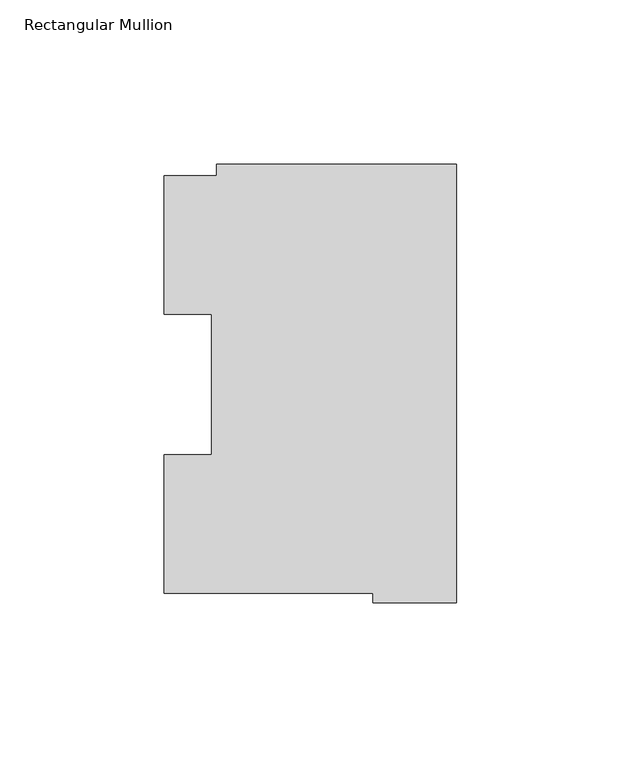
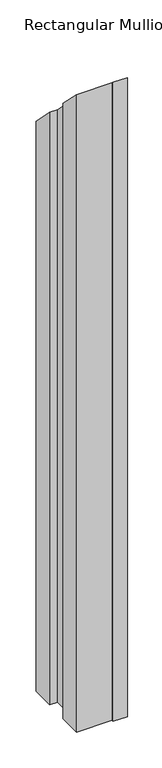
"""IFC4 building model written with IfcOpenShell, lengths in millimetres: member geometry, Rectangular Mullion."""

from ifc_helpers import new_model, si_unit, origin, place, context, project, spatial, faceted_brep, source, transform, mapped, element, save


def rectangular_mullion_f15801ac(model_context):
    return source(origin(), model_context, "Body", "Brep", [
        faceted_brep([(-73.025, 130.1270275, -1206.2086938), (0.0, 130.1270275, -1206.2086938), (0.0, -3.2371943, -1206.2086938), (-25.3823253, -3.2371943, -1206.2086938), (-25.3823253, -0.2913097, -1206.2086938), (-88.8823253, -0.2913097, -1206.2086938), (-88.8823253, 41.7837928, -1206.2086938), (-74.4735473, 41.7837928, -1206.2086938), (-74.4735473, 84.6335938, -1206.2086938), (-88.8823253, 84.6335938, -1206.2086938), (-88.8823253, 126.7086938, -1206.2086938), (-73.025, 126.7086938, -1206.2086938), (-73.025, 126.7086938, -126.7086938), (-73.025, 130.1270275, -130.1270275), (-88.8823253, 126.7086938, -126.7086938), (-88.8823253, 84.6335938, -84.6335937), (-74.4735473, 84.6335938, -84.6335937), (-74.4735473, 41.7837928, -41.7837928), (-88.8823253, 41.7837928, -41.7837928), (-88.8823253, -0.2913097, 0.2913097), (-25.3823253, -0.2913097, 0.2913097), (-25.3823253, -3.2371943, 3.2371943), (0.0, -3.2371943, 3.2371943), (0.0, 130.1270275, -130.1270275)], [[[0, 1, 2, 3, 4, 5, 6, 7, 8, 9, 10, 11]], [[12, 13, 0, 11]], [[14, 12, 11, 10]], [[15, 14, 10, 9]], [[16, 15, 9, 8]], [[17, 16, 8, 7]], [[18, 17, 7, 6]], [[19, 18, 6, 5]], [[20, 19, 5, 4]], [[21, 20, 4, 3]], [[22, 21, 3, 2]], [[23, 22, 2, 1]], [[13, 23, 1, 0]], [[13, 12, 14, 15, 16, 17, 18, 19, 20, 21, 22, 23]]]),
    ])


if __name__ == "__main__":
    model = new_model("IFC4")
    model_context = context("Model", 3, world=origin())
    ifc_project = project(units=[si_unit("LENGTHUNIT", "METRE", prefix="MILLI")], contexts=[model_context])
    site = spatial("IfcSite", under=ifc_project)
    building = spatial("IfcBuilding", under=site)
    placement = place(None, origin())
    rectangular_mullion_shape = rectangular_mullion_f15801ac(model_context)
    element("IfcMember", 1, ObjectType="Rectangular Mullion", at=placement, inside=building, context=model_context, shape_type="MappedRepresentation", body=[
        mapped(rectangular_mullion_shape, transform((0.0, 0.0, 0.0), x_axis=(1.0, 0.0, 0.0), y_axis=(0.0, 1.0, 0.0), z_axis=(0.0, 0.0, 1.0))),
    ])
    save(model, "model.ifc")
